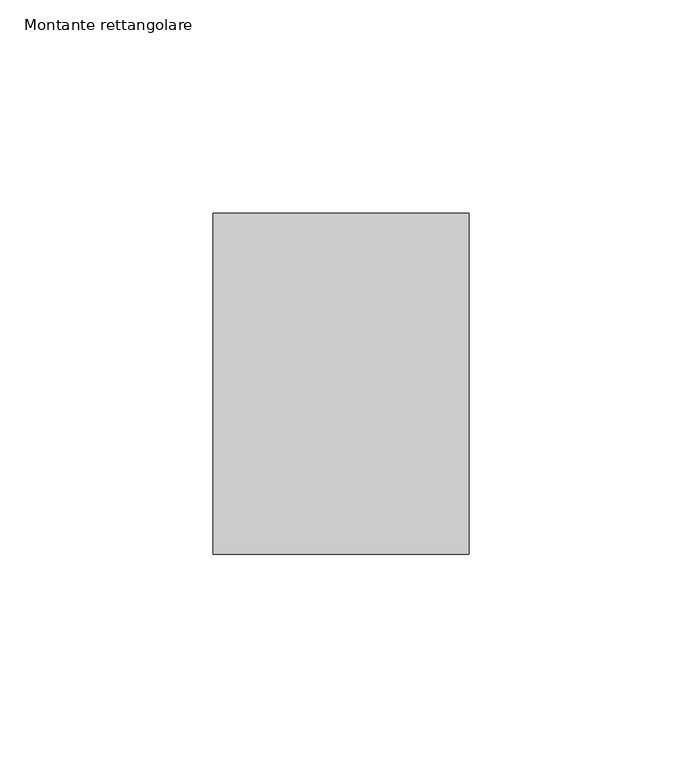
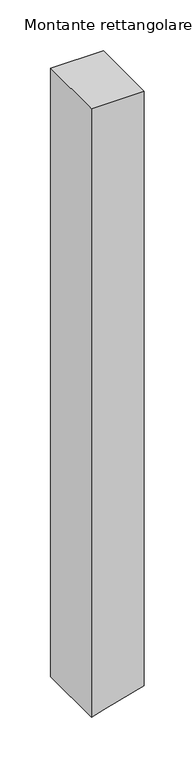
"""IFC4 building model written with IfcOpenShell, lengths in millimetres: member geometry, Montante rettangolare."""

from ifc_helpers import new_model, si_unit, frame, origin, place, context, project, spatial, polyline, outline, extrude, source, transform, mapped, element, save


def montante_rettangolare_c4b53163(model_context):
    return source(origin(), model_context, "Body", "SweptSolid", [
        extrude(outline(polyline([(0.0, 30.0), (0.0, -30.0), (-730.2932655, -30.0), (-726.4256132, -16.2854665), (-713.3725928, 30.0), (0.0, 30.0)])), frame((0.0, -60.0, 0.0), z_axis=(0.0, 1.0, 0.0), x_axis=(0.0, 0.0, 1.0)), (0.0, 0.0, 1.0), 80.0),
    ])


if __name__ == "__main__":
    model = new_model("IFC4")
    model_context = context("Model", 3, world=origin())
    ifc_project = project(units=[si_unit("LENGTHUNIT", "METRE", prefix="MILLI")], contexts=[model_context])
    site = spatial("IfcSite", under=ifc_project)
    building = spatial("IfcBuilding", under=site)
    placement = place(None, origin())
    montante_rettangolare_shape = montante_rettangolare_c4b53163(model_context)
    element("IfcMember", 1, ObjectType="Montante rettangolare", at=placement, inside=building, context=model_context, shape_type="MappedRepresentation", body=[
        mapped(montante_rettangolare_shape, transform((0.0, 0.0, 0.0), x_axis=(1.0, 0.0, 0.0), y_axis=(0.0, 1.0, 0.0), z_axis=(0.0, 0.0, 1.0))),
    ])
    save(model, "model.ifc")
